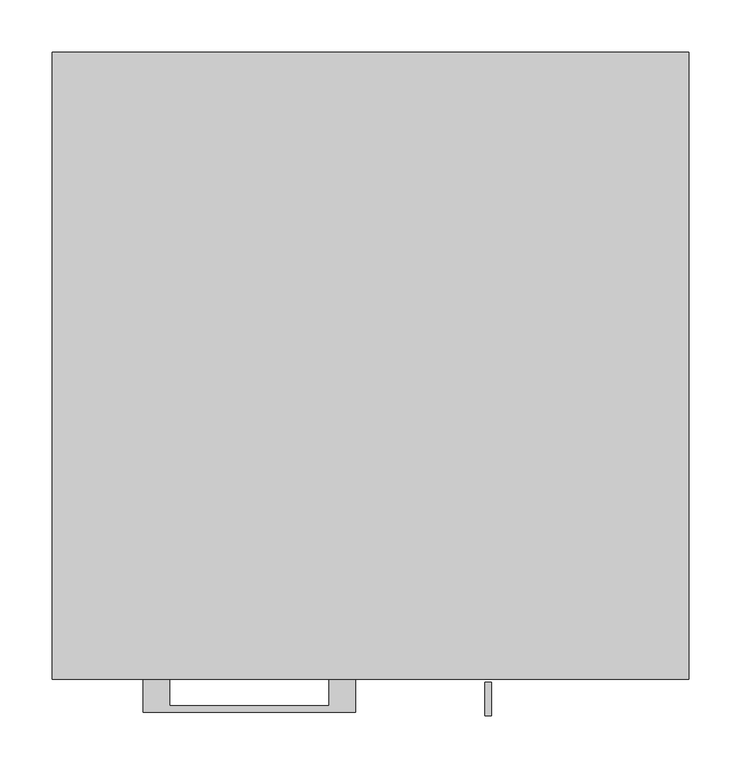
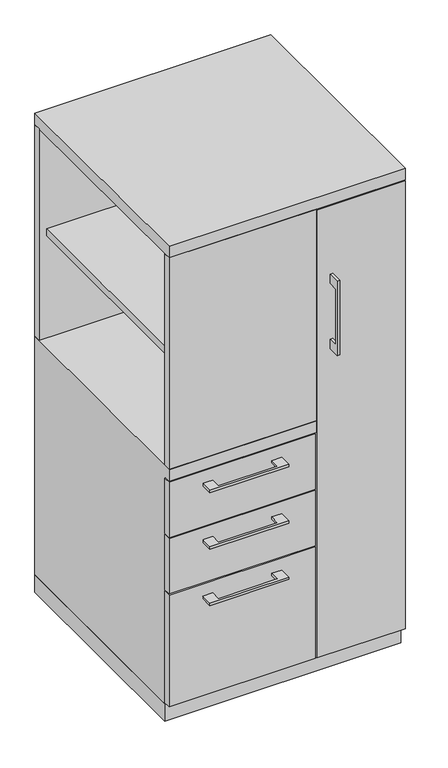
"""IFC4 building model written with IfcOpenShell, lengths in millimetres: furniture geometry."""

from ifc_helpers import new_model, si_unit, frame, origin, origin_with_axes, place, context, project, spatial, polyline, outline, extrude, faceted_brep, source, transform, mapped, element, save


def furniture_c84864c7(model_context):
    return source(origin(), model_context, "Body", "SolidModel", [
        extrude(outline(polyline([(57.15, -581.025), (-285.75, -581.025), (-285.75, -19.05), (57.15, -19.05), (57.15, -581.025)])), frame((0.0, 0.0, 977.9), z_axis=(0.0, 0.0, 1.0), x_axis=(1.0, 0.0, 0.0)), (0.0, 0.0, 1.0), 19.05),
        extrude(outline(polyline([(-192.0874818, -600.075), (-192.0874818, -625.4749758), (-39.6875, -625.4749758), (-39.6875, -600.075), (-14.2875061, -600.075), (-14.2875061, -631.8249879), (-217.4874939, -631.8249879), (-217.4874939, -600.075), (-192.0874818, -600.075)])), frame((0.0, 0.0, 623.8875506), z_axis=(0.0, 0.0, 1.0), x_axis=(1.0, 0.0, 0.0)), (0.0, 0.0, 1.0), 6.3499758),
        extrude(outline(polyline([(73.025, -581.025), (73.025, -600.075), (-304.8, -600.075), (-304.8, -581.025), (73.025, -581.025)])), frame((0.0, 0.0, 512.7625), z_axis=(0.0, 0.0, 1.0), x_axis=(1.0, 0.0, 0.0)), (0.0, 0.0, 1.0), 150.8125),
        extrude(outline(polyline([(-192.0874818, -600.075), (-192.0874818, -625.4749758), (-39.6875, -625.4749758), (-39.6875, -600.075), (-14.2875061, -600.075), (-14.2875061, -631.8249879), (-217.4874939, -631.8249879), (-217.4874939, -600.075), (-192.0874818, -600.075)])), frame((0.0, 0.0, 469.9000506), z_axis=(0.0, 0.0, 1.0), x_axis=(1.0, 0.0, 0.0)), (0.0, 0.0, 1.0), 6.3499758),
        extrude(outline(polyline([(73.025, -581.025), (73.025, -600.075), (-304.8, -600.075), (-304.8, -581.025), (73.025, -581.025)])), frame((0.0, 0.0, 358.775), z_axis=(0.0, 0.0, 1.0), x_axis=(1.0, 0.0, 0.0)), (0.0, 0.0, 1.0), 150.8125),
        extrude(outline(polyline([(-603.25, 1063.625), (-628.6499758, 1063.625), (-628.6499758, 911.225), (-603.25, 911.225), (-603.25, 885.825), (-634.9999879, 885.825), (-634.9999879, 1089.025), (-603.25, 1089.025), (-603.25, 1063.625)])), frame((109.5375121, 0.0, 0.0), z_axis=(1.0, 0.0, 0.0), x_axis=(0.0, 1.0, 0.0)), (0.0, 0.0, 1.0), 6.3499758),
        extrude(outline(polyline([(304.8, -600.075), (76.2, -600.075), (76.2, -581.025), (304.8, -581.025), (304.8, -600.075)])), frame((0.0, 0.0, 50.8), z_axis=(0.0, 0.0, 1.0), x_axis=(1.0, 0.0, 0.0)), (0.0, 0.0, 1.0), 1222.375),
        extrude(outline(polyline([(-192.0874818, -600.075), (-192.0874818, -625.4749758), (-39.6875, -625.4749758), (-39.6875, -600.075), (-14.2875061, -600.075), (-14.2875061, -631.8249879), (-217.4874939, -631.8249879), (-217.4874939, -600.075), (-192.0874818, -600.075)])), frame((0.0, 0.0, 315.9125506), z_axis=(0.0, 0.0, 1.0), x_axis=(1.0, 0.0, 0.0)), (0.0, 0.0, 1.0), 6.3499758),
        extrude(outline(polyline([(73.025, -581.025), (73.025, -600.075), (-304.8, -600.075), (-304.8, -581.025), (73.025, -581.025)])), frame((0.0, 0.0, 50.8), z_axis=(0.0, 0.0, 1.0), x_axis=(1.0, 0.0, 0.0)), (0.0, 0.0, 1.0), 304.8),
        faceted_brep([(-304.8, -581.025, 47.625), (-304.8, 0.0, 47.625), (76.2, 0.0, 47.625), (76.2, -581.025, 47.625), (-304.8, 0.0, 698.5), (76.2, 0.0, 698.5), (-304.8, -581.025, 666.75), (-304.8, -600.075, 666.75), (-304.8, -600.075, 698.5), (76.2, -581.025, 666.75), (57.15, -581.025, 666.75), (76.2, -581.025, 1276.35), (57.15, -581.025, 1276.35), (57.15, -581.025, 698.5), (76.2, -581.025, 698.5), (76.2, -19.05, 698.5), (76.2, -19.05, 1276.35), (76.2, -600.075, 698.5), (76.2, -600.075, 666.75), (57.15, -19.05, 1276.35), (57.15, -19.05, 698.5)], [[[0, 1, 2, 3]], [[2, 1, 4, 5]], [[4, 1, 0, 6, 7, 8]], [[6, 0, 3, 9, 10]], [[11, 12, 13, 14]], [[2, 5, 15, 16, 11, 14, 17, 18, 9, 3]], [[16, 19, 12, 11]], [[19, 16, 15, 20]], [[12, 19, 20, 13]], [[5, 4, 8, 17, 14, 13, 20, 15]], [[18, 7, 6, 10, 9]], [[17, 8, 7, 18]]]),
        extrude(outline(polyline([(76.2, 0.0), (76.2, -19.05), (-304.8, -19.05), (-304.8, 0.0), (76.2, 0.0)])), frame((0.0, 0.0, 698.5), z_axis=(0.0, 0.0, 1.0), x_axis=(1.0, 0.0, 0.0)), (0.0, 0.0, 1.0), 577.85),
        extrude(outline(polyline([(76.2, -600.075), (-304.8, -600.075), (-304.8, -581.025), (76.2, -581.025), (76.2, -600.075)])), frame((0.0, 0.0, 698.5), z_axis=(0.0, 0.0, 1.0), x_axis=(1.0, 0.0, 0.0)), (0.0, 0.0, 1.0), 577.85),
        extrude(outline(polyline([(304.8, 0.0), (304.8, -581.025), (285.75, -581.025), (285.75, -19.05), (76.2, -19.05), (76.2, 0.0), (304.8, 0.0)])), frame((0.0, 0.0, 47.625), z_axis=(0.0, 0.0, 1.0), x_axis=(1.0, 0.0, 0.0)), (0.0, 0.0, 1.0), 1228.725),
        extrude(outline(polyline([(304.8, 0.0), (304.8, -600.075), (-304.8, -600.075), (-304.8, 0.0), (304.8, 0.0)])), frame((0.0, 0.0, 1276.35), z_axis=(0.0, 0.0, 1.0), x_axis=(1.0, 0.0, 0.0)), (0.0, 0.0, 1.0), 31.75),
        extrude(outline(polyline([(304.8, 0.0), (304.8, -581.025), (-304.8, -581.025), (-304.8, 0.0), (304.8, 0.0)])), origin_with_axes(), (0.0, 0.0, 1.0), 47.625),
    ])


if __name__ == "__main__":
    model = new_model("IFC4")
    model_context = context("Model", 3, world=origin())
    ifc_project = project(units=[si_unit("LENGTHUNIT", "METRE", prefix="MILLI")], contexts=[model_context])
    site = spatial("IfcSite", under=ifc_project)
    building = spatial("IfcBuilding", under=site)
    placement = place(None, origin())
    furniture_shape = furniture_c84864c7(model_context)
    element("IfcFurniture", 1, at=placement, inside=building, context=model_context, shape_type="MappedRepresentation", body=[
        mapped(furniture_shape, transform((0.0, 0.0, 0.0), x_axis=(1.0, 0.0, 0.0), y_axis=(0.0, 1.0, 0.0), z_axis=(0.0, 0.0, 1.0))),
    ])
    save(model, "model.ifc")
